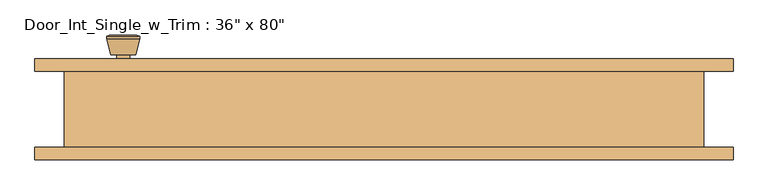
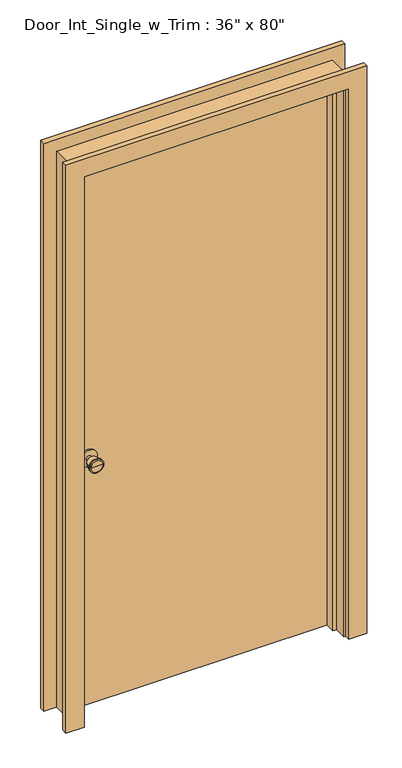
"""IFC4 building model written with IfcOpenShell, lengths in millimetres: door geometry."""

from ifc_helpers import new_model, si_unit, point, frame, frame_2d, origin, origin_with_axes, place, context, project, spatial, polyline, circle_curve, trimmed, segment, composite_curve, outline, extrude, faceted_brep, source, transform, mapped, element, save
from ifc_brep_helpers import plane_surface, cylinder_surface, revolved_surface, advanced_brep


def door_4ec56d55(model_context):
    return source(origin(), model_context, "Body", "SolidModel", [
        advanced_brep(
        [(-393.7, 13.05, 914.4), (-383.7, 13.05, 914.4), (-403.7, 13.05, 914.4), (-373.2241324, -35.95, 914.4), (-393.7, -35.95, 914.4), (-414.1758676, -35.95, 914.4), (-368.7, -34.1221319, 914.4), (-418.7, -34.1221319, 914.4), (-368.7, -30.6584537, 914.4), (-418.7, -30.6584537, 914.4), (-375.063764, -5.95, 914.4), (-412.336236, -5.95, 914.4), (-383.7, -5.95, 914.4), (-403.7, -5.95, 914.4)],
        [
            (0, 1),
            (1, 2, circle_curve(frame((-393.7, 13.05, 914.4), z_axis=(0.0, 1.0, 0.0), x_axis=(-1.0, 0.0, 0.0)), 10.0)),
            (2, 0),
            (2, 1, circle_curve(frame((-393.7, 13.05, 914.4), z_axis=(0.0, 1.0, 0.0), x_axis=(-1.0, 0.0, 0.0)), 10.0)),
            (3, 4),
            (4, 5),
            (5, 3, circle_curve(frame((-393.7, -35.95, 914.4), z_axis=(0.0, -1.0, 0.0), x_axis=(-1.0, 0.0, 0.0)), 20.4758676)),
            (3, 5, circle_curve(frame((-393.7, -35.95, 914.4), z_axis=(0.0, -1.0, 0.0), x_axis=(-1.0, 0.0, 0.0)), 20.4758676)),
            (6, 3),
            (5, 7),
            (7, 6, circle_curve(frame((-393.7, -34.1221319, 914.4), z_axis=(0.0, -1.0, 0.0), x_axis=(-1.0, 0.0, 0.0)), 25.0)),
            (6, 7, circle_curve(frame((-393.7, -34.1221319, 914.4), z_axis=(0.0, -1.0, 0.0), x_axis=(-1.0, 0.0, 0.0)), 25.0)),
            (8, 6),
            (7, 9),
            (9, 8, circle_curve(frame((-393.7, -30.6584537, 914.4), z_axis=(0.0, -1.0, 0.0), x_axis=(-1.0, 0.0, 0.0)), 25.0)),
            (8, 9, circle_curve(frame((-393.7, -30.6584537, 914.4), z_axis=(0.0, -1.0, 0.0), x_axis=(-1.0, 0.0, 0.0)), 25.0)),
            (10, 8),
            (9, 11),
            (11, 10, circle_curve(frame((-393.7, -5.95, 914.4), z_axis=(0.0, -1.0, 0.0), x_axis=(-1.0, 0.0, 0.0)), 18.636236)),
            (10, 11, circle_curve(frame((-393.7, -5.95, 914.4), z_axis=(0.0, -1.0, 0.0), x_axis=(-1.0, 0.0, 0.0)), 18.636236)),
            (12, 10),
            (11, 13),
            (13, 12, circle_curve(frame((-393.7, -5.95, 914.4), z_axis=(0.0, -1.0, 0.0), x_axis=(-1.0, 0.0, 0.0)), 10.0)),
            (12, 13, circle_curve(frame((-393.7, -5.95, 914.4), z_axis=(0.0, -1.0, 0.0), x_axis=(-1.0, 0.0, 0.0)), 10.0)),
            (1, 12),
            (13, 2),
        ],
        [
            plane_surface(frame((-393.7, 13.05, 914.4), z_axis=(0.0, 1.0, 0.0), x_axis=(-1.0, 0.0, 0.0))),
            plane_surface(frame((-393.7, -35.95, 914.4), z_axis=(0.0, -1.0, 0.0), x_axis=(-1.0, 0.0, 0.0))),
            revolved_surface(polyline([(-414.1758676, -35.95, 914.4), (-418.7, -34.1221319, 914.4)]), (-393.7, 13.05, 914.4), (0.0, 1.0, 0.0)),
            cylinder_surface(frame((-393.7, 13.05, 914.4), z_axis=(0.0, 1.0, 0.0), x_axis=(-1.0, 0.0, 0.0)), 25.0),
            revolved_surface(polyline([(-418.7, -30.6584537, 914.4), (-412.336236, -5.95, 914.4)]), (-393.7, 13.05, 914.4), (0.0, 1.0, 0.0)),
            plane_surface(frame((-393.7, -5.95, 914.4), z_axis=(0.0, 1.0, 0.0), x_axis=(-1.0, 0.0, 0.0))),
            cylinder_surface(frame((-393.7, 13.05, 914.4), z_axis=(0.0, 1.0, 0.0), x_axis=(-1.0, 0.0, 0.0)), 10.0),
        ],
        [
            (0, [[1, 2, 3]]),
            (0, [[-3, 4, -1]]),
            (1, [[5, 6, 7]]),
            (1, [[-6, -5, 8]]),
            (2, [[9, -7, 10, 11]]),
            (2, [[-10, -8, -9, 12]]),
            (3, [[13, -11, 14, 15]]),
            (3, [[-14, -12, -13, 16]]),
            (4, [[17, -15, 18, 19]]),
            (4, [[-18, -16, -17, 20]]),
            (5, [[21, -19, 22, 23]]),
            (5, [[-22, -20, -21, 24]]),
            (6, [[25, -23, 26, -2]]),
            (6, [[-26, -24, -25, -4]]),
        ],
    ),
        extrude(outline(composite_curve([segment(trimmed(circle_curve(frame_2d((914.4, -393.7)), 30.0), [point((914.4, -423.7))], [point((914.4, -363.7))], False, "CARTESIAN"), True, "CONTINUOUS"), segment(trimmed(circle_curve(frame_2d((914.4, -393.7)), 30.0), [point((914.4, -363.7))], [point((914.4, -423.7))], False, "CARTESIAN"), True, "CONTINUOUS")], self_intersect=False)), frame((0.0, 13.05, 0.0), z_axis=(0.0, 1.0, 0.0), x_axis=(0.0, 0.0, 1.0)), (0.0, 0.0, 1.0), 6.0),
        advanced_brep(
        [(-393.7, 59.975, 914.4), (-403.7, 59.975, 914.4), (-383.7, 59.975, 914.4), (-373.2241324, 108.975, 914.4), (-414.1758676, 108.975, 914.4), (-393.7, 108.975, 914.4), (-368.7, 107.1471319, 914.4), (-418.7, 107.1471319, 914.4), (-368.7, 103.6834537, 914.4), (-418.7, 103.6834537, 914.4), (-375.063764, 78.975, 914.4), (-412.336236, 78.975, 914.4), (-383.7, 78.975, 914.4), (-403.7, 78.975, 914.4)],
        [
            (0, 1),
            (1, 2, circle_curve(frame((-393.7, 59.975, 914.4), z_axis=(0.0, -1.0, 0.0), x_axis=(-1.0, 0.0, 0.0)), 10.0)),
            (2, 0),
            (2, 1, circle_curve(frame((-393.7, 59.975, 914.4), z_axis=(0.0, -1.0, 0.0), x_axis=(-1.0, 0.0, 0.0)), 10.0)),
            (3, 4, circle_curve(frame((-393.7, 108.975, 914.4), z_axis=(0.0, 1.0, 0.0), x_axis=(-1.0, 0.0, 0.0)), 20.4758676)),
            (4, 5),
            (5, 3),
            (4, 3, circle_curve(frame((-393.7, 108.975, 914.4), z_axis=(0.0, 1.0, 0.0), x_axis=(-1.0, 0.0, 0.0)), 20.4758676)),
            (6, 7, circle_curve(frame((-393.7, 107.1471319, 914.4), z_axis=(0.0, 1.0, 0.0), x_axis=(-1.0, 0.0, 0.0)), 25.0)),
            (7, 4),
            (3, 6),
            (7, 6, circle_curve(frame((-393.7, 107.1471319, 914.4), z_axis=(0.0, 1.0, 0.0), x_axis=(-1.0, 0.0, 0.0)), 25.0)),
            (8, 9, circle_curve(frame((-393.7, 103.6834537, 914.4), z_axis=(0.0, 1.0, 0.0), x_axis=(-1.0, 0.0, 0.0)), 25.0)),
            (9, 7),
            (6, 8),
            (9, 8, circle_curve(frame((-393.7, 103.6834537, 914.4), z_axis=(0.0, 1.0, 0.0), x_axis=(-1.0, 0.0, 0.0)), 25.0)),
            (10, 11, circle_curve(frame((-393.7, 78.975, 914.4), z_axis=(0.0, 1.0, 0.0), x_axis=(-1.0, 0.0, 0.0)), 18.636236)),
            (11, 9),
            (8, 10),
            (11, 10, circle_curve(frame((-393.7, 78.975, 914.4), z_axis=(0.0, 1.0, 0.0), x_axis=(-1.0, 0.0, 0.0)), 18.636236)),
            (12, 13, circle_curve(frame((-393.7, 78.975, 914.4), z_axis=(0.0, 1.0, 0.0), x_axis=(-1.0, 0.0, 0.0)), 10.0)),
            (13, 11),
            (10, 12),
            (13, 12, circle_curve(frame((-393.7, 78.975, 914.4), z_axis=(0.0, 1.0, 0.0), x_axis=(-1.0, 0.0, 0.0)), 10.0)),
            (1, 13),
            (12, 2),
        ],
        [
            plane_surface(frame((-393.7, 59.975, 914.4), z_axis=(0.0, -1.0, 0.0), x_axis=(-1.0, 0.0, 0.0))),
            plane_surface(frame((-393.7, 108.975, 914.4), z_axis=(0.0, 1.0, 0.0), x_axis=(-1.0, 0.0, 0.0))),
            revolved_surface(polyline([(-414.1758676, 108.975, 914.4), (-418.7, 107.1471319, 914.4)]), (-393.7, 59.975, 914.4), (0.0, -1.0, 0.0)),
            cylinder_surface(frame((-393.7, 59.975, 914.4), z_axis=(0.0, -1.0, 0.0), x_axis=(-1.0, 0.0, 0.0)), 25.0),
            revolved_surface(polyline([(-418.7, 103.6834537, 914.4), (-412.336236, 78.975, 914.4)]), (-393.7, 59.975, 914.4), (0.0, -1.0, 0.0)),
            plane_surface(frame((-393.7, 78.975, 914.4), z_axis=(0.0, -1.0, 0.0), x_axis=(-1.0, 0.0, 0.0))),
            cylinder_surface(frame((-393.7, 59.975, 914.4), z_axis=(0.0, -1.0, 0.0), x_axis=(-1.0, 0.0, 0.0)), 10.0),
        ],
        [
            (0, [[1, 2, 3]]),
            (0, [[-3, 4, -1]]),
            (1, [[5, 6, 7]]),
            (1, [[8, -7, -6]]),
            (2, [[9, 10, -5, 11]]),
            (2, [[12, -11, -8, -10]]),
            (3, [[13, 14, -9, 15]]),
            (3, [[16, -15, -12, -14]]),
            (4, [[17, 18, -13, 19]]),
            (4, [[20, -19, -16, -18]]),
            (5, [[21, 22, -17, 23]]),
            (5, [[24, -23, -20, -22]]),
            (6, [[-2, 25, -21, 26]]),
            (6, [[-4, -26, -24, -25]]),
        ],
    ),
        extrude(outline(composite_curve([segment(trimmed(circle_curve(frame_2d((914.4, -393.7)), 30.0), [point((914.4, -423.7))], [point((914.4, -363.7))], False, "CARTESIAN"), True, "CONTINUOUS"), segment(trimmed(circle_curve(frame_2d((914.4, -393.7)), 30.0), [point((914.4, -363.7))], [point((914.4, -423.7))], False, "CARTESIAN"), True, "CONTINUOUS")], self_intersect=False)), frame((0.0, 53.975, 0.0), z_axis=(0.0, 1.0, 0.0), x_axis=(0.0, 0.0, 1.0)), (0.0, 0.0, 1.0), 6.0),
        faceted_brep([(482.6, 53.975, 0.0), (482.6, -60.325, 0.0), (457.2, -60.325, 0.0), (457.2, -15.875, 0.0), (444.5, -15.875, 0.0), (444.5, 19.05, 0.0), (457.2, 19.05, 0.0), (457.2, 53.975, 0.0), (482.6, 53.975, 2057.4), (482.6, -60.325, 2057.4), (-482.6, -60.325, 2057.4), (-482.6, -60.325, 0.0), (-457.2, -60.325, 0.0), (-457.2, -60.325, 2032.0), (457.2, -60.325, 2032.0), (457.2, -15.875, 2032.0), (-457.2, -15.875, 2032.0), (-457.2, -15.875, 0.0), (-444.5, -15.875, 0.0), (-444.5, -15.875, 2019.3), (444.5, -15.875, 2019.3), (444.5, 19.05, 2019.3), (-444.5, 19.05, 2019.3), (-444.5, 19.05, 0.0), (-457.2, 19.05, 0.0), (-457.2, 19.05, 2032.0), (457.2, 19.05, 2032.0), (457.2, 53.975, 2032.0), (-457.2, 53.975, 2032.0), (-457.2, 53.975, 0.0), (-482.6, 53.975, 0.0), (-482.6, 53.975, 2057.4)], [[[0, 1, 2, 3, 4, 5, 6, 7]], [[1, 0, 8, 9]], [[2, 1, 9, 10, 11, 12, 13, 14]], [[3, 2, 14, 15]], [[4, 3, 15, 16, 17, 18, 19, 20]], [[5, 4, 20, 21]], [[6, 5, 21, 22, 23, 24, 25, 26]], [[7, 6, 26, 27]], [[0, 7, 27, 28, 29, 30, 31, 8]], [[9, 8, 31, 10]], [[15, 14, 13, 16]], [[21, 20, 19, 22]], [[27, 26, 25, 28]], [[30, 29, 24, 23, 18, 17, 12, 11]], [[10, 31, 30, 11]], [[16, 13, 12, 17]], [[22, 19, 18, 23]], [[28, 25, 24, 29]]]),
        extrude(outline(polyline([(457.2, 19.05), (-457.2, 19.05), (-457.2, 53.975), (457.2, 53.975), (457.2, 19.05)])), origin_with_axes(), (0.0, 0.0, 1.0), 2032.0),
        extrude(outline(polyline([(0.0, 463.55), (0.0, 527.05), (2101.85, 527.05), (2101.85, -527.05), (0.0, -527.05), (0.0, -463.55), (2038.35, -463.55), (2038.35, 463.55), (0.0, 463.55)])), frame((0.0, 53.975, 0.0), z_axis=(0.0, 1.0, 0.0), x_axis=(0.0, 0.0, 1.0)), (0.0, 0.0, 1.0), 19.05),
        extrude(outline(polyline([(0.0, 463.55), (0.0, 527.05), (2101.85, 527.05), (2101.85, -527.05), (0.0, -527.05), (0.0, -463.55), (2038.35, -463.55), (2038.35, 463.55), (0.0, 463.55)])), frame((0.0, -79.375, 0.0), z_axis=(0.0, 1.0, 0.0), x_axis=(0.0, 0.0, 1.0)), (0.0, 0.0, 1.0), 19.05),
    ])


if __name__ == "__main__":
    model = new_model("IFC4")
    model_context = context("Model", 3, world=origin())
    ifc_project = project(units=[si_unit("LENGTHUNIT", "METRE", prefix="MILLI")], contexts=[model_context])
    site = spatial("IfcSite", under=ifc_project)
    building = spatial("IfcBuilding", under=site)
    placement = place(None, origin())
    door_shape = door_4ec56d55(model_context)
    element("IfcDoor", 1, ObjectType="Door_Int_Single_w_Trim : 36\" x 80\"", at=placement, inside=building, context=model_context, shape_type="MappedRepresentation", body=[
        mapped(door_shape, transform((0.0, 0.0, 0.0), x_axis=(1.0, 0.0, 0.0), y_axis=(0.0, 1.0, 0.0), z_axis=(0.0, 0.0, 1.0))),
    ])
    save(model, "model.ifc")
